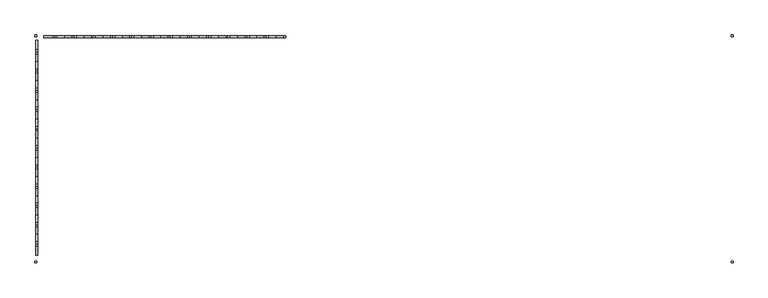
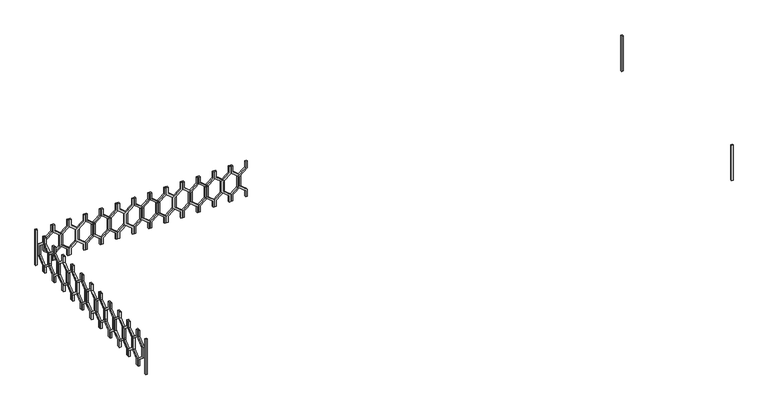
"""IFC4 building model written with IfcOpenShell, lengths in millimetres: railing geometry."""

import ifcopenshell
import ifcopenshell.guid

model = None  # the IFC model being written
_history = None  # IfcOwnerHistory: only IFC2X3 demands one
_inside = {}  # id of a spatial element -> (the spatial element, [elements in it])
_under = {}  # id of a project, library or spatial element -> (it, [spatial elements below it])
_declared = {}  # id of a project -> (the project, [libraries it declares])
_typed = {}  # id of a type object -> (the type object, [elements of that type])
_made_of = {}  # id of a material, layer set ... -> (it, [elements and type objects made of it])


def new_model(schema):
    """Start an empty IFC model of exactly this schema.

    Asked for "IFC4X3", IfcOpenShell would pick the latest addendum, in which some entities
    have other attributes; the version numbers below select the first issue.
    IFC2X3 requires an IfcOwnerHistory on every rooted entity: one is made here for all.
    """
    global model, _history
    if schema == "IFC4X3":
        model = ifcopenshell.file(schema_version=(4, 3, 0, 0))
    else:
        model = ifcopenshell.file(schema=schema)
    _inside.clear()
    _under.clear()
    _declared.clear()
    _typed.clear()
    _made_of.clear()
    _history = None
    if model.schema == "IFC2X3":
        org = make("IfcOrganization", Name="unknown")
        user = make(
            "IfcPersonAndOrganization",
            ThePerson=make("IfcPerson", FamilyName="unknown"),
            TheOrganization=org,
        )
        app = make(
            "IfcApplication",
            ApplicationDeveloper=org,
            Version="unknown",
            ApplicationFullName="unknown",
            ApplicationIdentifier="unknown",
        )
        _history = make(
            "IfcOwnerHistory",
            OwningUser=user,
            OwningApplication=app,
            ChangeAction="ADDED",
            CreationDate=0,
        )
    return model


def make(cls, **values):
    """One entity of the class cls with the attributes given. An attribute that is None is left unset."""
    return model.create_entity(
        cls, **{name: value for name, value in values.items() if value is not None}
    )


def rooted(cls, **values):
    """An entity with a GlobalId (a new one), such as an element, a storey or a relation."""
    return make(cls, GlobalId=ifcopenshell.guid.new(), OwnerHistory=_history, **values)


def si_unit(unit_type, name, prefix=None):
    """IfcSIUnit, for example si_unit("LENGTHUNIT", "METRE", prefix="MILLI")."""
    return make("IfcSIUnit", UnitType=unit_type, Prefix=prefix, Name=name)


def assignment(units):
    """IfcUnitAssignment: the units of a project."""
    return None if units is None else make("IfcUnitAssignment", Units=units)


def point(xyz):
    """IfcCartesianPoint."""
    return None if xyz is None else make("IfcCartesianPoint", Coordinates=xyz)


def direction(xyz):
    """IfcDirection."""
    return None if xyz is None else make("IfcDirection", DirectionRatios=xyz)


def frame(location, z_axis=None, x_axis=None):
    """IfcAxis2Placement3D, a coordinate frame: its origin and axes. An axis left out is left unset."""
    return make(
        "IfcAxis2Placement3D",
        Location=point(location),
        Axis=direction(z_axis),
        RefDirection=direction(x_axis),
    )


def origin():
    """The frame at (0, 0, 0) with its axes left unset."""
    return frame((0.0, 0.0, 0.0))


def place(relative_to, where):
    """IfcLocalPlacement: puts the frame where relative to a parent placement (None: the world)."""
    return make(
        "IfcLocalPlacement", PlacementRelTo=relative_to, RelativePlacement=where
    )


def context(
    kind, dimensions, precision=None, world=None, true_north=None, identifier=None
):
    """IfcGeometricRepresentationContext, for example the 3D "Model" context."""
    return make(
        "IfcGeometricRepresentationContext",
        ContextIdentifier=identifier,
        ContextType=kind,
        CoordinateSpaceDimension=dimensions,
        Precision=precision,
        WorldCoordinateSystem=world,
        TrueNorth=true_north,
    )


def project(units=None, contexts=None):
    """IfcProject with its units and contexts."""
    return rooted(
        "IfcProject",
        Name="project",
        RepresentationContexts=contexts,
        UnitsInContext=assignment(units),
    )


def spatial(cls, under=None, at=None, **own):
    """A site, building, storey or space (cls), placed at a placement, below another one or the project."""
    s = rooted(cls, ObjectPlacement=at, **own)
    if under is not None:
        _under.setdefault(under.id(), (under, []))[1].append(s)
    return s


def polyline(points):
    """IfcPolyline through the points."""
    return make("IfcPolyline", Points=[point(p) for p in points])


def outline(outer, holes=None, kind="AREA"):
    """IfcArbitraryClosedProfileDef: a profile drawn as a closed curve; with holes, ...WithVoids."""
    if holes is None:
        return make("IfcArbitraryClosedProfileDef", ProfileType=kind, OuterCurve=outer)
    return make(
        "IfcArbitraryProfileDefWithVoids",
        ProfileType=kind,
        OuterCurve=outer,
        InnerCurves=holes,
    )


def extrude(swept, where, along, depth):
    """IfcExtrudedAreaSolid: the profile swept, set in the frame where, extruded along a direction by depth."""
    return make(
        "IfcExtrudedAreaSolid",
        SweptArea=swept,
        Position=where,
        ExtrudedDirection=direction(along),
        Depth=depth,
    )


def shape(context_of_items, identifier, shape_type, items):
    """IfcShapeRepresentation: the items that make up one representation, for example the "Body"."""
    return make(
        "IfcShapeRepresentation",
        ContextOfItems=context_of_items,
        RepresentationIdentifier=identifier,
        RepresentationType=shape_type,
        Items=items,
    )


def source(mapping_origin, context_of_items, identifier, shape_type, items):
    """IfcRepresentationMap: a shape defined once, which mapped items show again and again."""
    return make(
        "IfcRepresentationMap",
        MappingOrigin=mapping_origin,
        MappedRepresentation=shape(context_of_items, identifier, shape_type, items),
    )


def transform(
    local_origin,
    x_axis=None,
    y_axis=None,
    z_axis=None,
    scale=None,
    scale2=None,
    scale3=None,
    uniform=True,
):
    """IfcCartesianTransformationOperator3D, or its non-uniform kind. x_axis, y_axis, z_axis: its Axis1, 2, 3."""
    if uniform:
        return make(
            "IfcCartesianTransformationOperator3D",
            Axis1=direction(x_axis),
            Axis2=direction(y_axis),
            LocalOrigin=point(local_origin),
            Scale=scale,
            Axis3=direction(z_axis),
        )
    return make(
        "IfcCartesianTransformationOperator3DnonUniform",
        Axis1=direction(x_axis),
        Axis2=direction(y_axis),
        LocalOrigin=point(local_origin),
        Scale=scale,
        Axis3=direction(z_axis),
        Scale2=scale2,
        Scale3=scale3,
    )


def mapped(mapping_source, mapping_target):
    """IfcMappedItem: shows the shape of a source again, moved by a transform."""
    return make(
        "IfcMappedItem", MappingSource=mapping_source, MappingTarget=mapping_target
    )


def made_of(thing, what):
    """Note that an element or type object is made of a material, layer set ...; save() writes the relation."""
    if what is not None:
        _made_of.setdefault(what.id(), (what, []))[1].append(thing)
    return thing


def element(
    cls,
    number,
    at=None,
    inside=None,
    cuts=None,
    type_object=None,
    material=None,
    context=None,
    identifier="Body",
    shape_type=None,
    held_by="IfcProductDefinitionShape",
    body=None,
    shapes=None,
    **own,
):
    """One element of the class cls, such as IfcWall. Its Tag is "e" and its number.

    at: its placement. inside: the storey or other place that contains it. cuts: it is an
    opening in that element (IfcRelVoidsElement). A single representation is given by context,
    identifier, shape_type and body (its items); several are given by shapes. held_by: the class
    of the entity that holds the representations. save() writes the other relations.
    """
    e = rooted(cls, Tag="e%d" % number, ObjectPlacement=at, **own)
    if body is not None:
        shapes = [shape(context, identifier, shape_type, body)]
    if shapes is not None:
        e.Representation = make(held_by, Representations=shapes)
    if inside is not None:
        _inside.setdefault(inside.id(), (inside, []))[1].append(e)
    if cuts is not None:
        rooted(
            "IfcRelVoidsElement", RelatingBuildingElement=cuts, RelatedOpeningElement=e
        )
    if type_object is not None:
        _typed.setdefault(type_object.id(), (type_object, []))[1].append(e)
    return made_of(e, material)


def aggregate(whole, parts):
    """IfcRelAggregates: a whole, such as a stair, and the parts it consists of."""
    return rooted("IfcRelAggregates", RelatingObject=whole, RelatedObjects=parts)


def save(model, path):
    """Write the relations noted so far, then the file.

    IfcRelAggregates (storeys below a building ...), IfcRelContainedInSpatialStructure (elements
    in a storey), IfcRelDefinesByType, IfcRelAssociatesMaterial and IfcRelDeclares: one each for
    every whole, place, type object, material and project.
    """
    for whole, parts in _under.values():
        aggregate(whole, parts)
    for where, things in _inside.values():
        rooted(
            "IfcRelContainedInSpatialStructure",
            RelatedElements=things,
            RelatingStructure=where,
        )
    for kind, things in _typed.values():
        rooted("IfcRelDefinesByType", RelatedObjects=things, RelatingType=kind)
    for what, things in _made_of.values():
        rooted("IfcRelAssociatesMaterial", RelatedObjects=things, RelatingMaterial=what)
    for by, libraries in _declared.values():
        rooted("IfcRelDeclares", RelatingContext=by, RelatedDefinitions=libraries)
    model.write(path)


def railing_1574c592(model_context):
    return source(origin(), model_context, "Body", "SweptSolid", [
        extrude(outline(polyline([(22060.0, 44935.0112841), (22060.0, 44915.0112841), (21980.0, 44915.0112841), (21900.0, 44816.0163347), (21760.0, 44816.0163347), (21680.0, 44915.0112841), (21600.0, 44915.0112841), (21600.0, 44935.0112841), (21689.551845, 44935.0112841), (21769.551845, 44836.0163347), (21890.448155, 44836.0163347), (21970.448155, 44935.0112841), (22060.0, 44935.0112841)])), frame((0.0, 3248.1079487, 0.0), z_axis=(0.0, 1.0, 0.0), x_axis=(0.0, 0.0, 1.0)), (0.0, 0.0, 1.0), 20.0),
        extrude(outline(polyline([(22060.0, 44735.0112841), (21970.448155, 44735.0112841), (21890.448155, 44834.0062335), (21769.551845, 44834.0062335), (21689.551845, 44735.0112841), (21600.0, 44735.0112841), (21600.0, 44755.0112841), (21680.0, 44755.0112841), (21760.0, 44854.0062335), (21900.0, 44854.0062335), (21980.0, 44755.0112841), (22060.0, 44755.0112841), (22060.0, 44735.0112841)])), frame((0.0, 3248.1079487, 0.0), z_axis=(0.0, 1.0, 0.0), x_axis=(0.0, 0.0, 1.0)), (0.0, 0.0, 1.0), 20.0),
        extrude(outline(polyline([(22060.0, 44735.0112841), (22060.0, 44715.0112841), (21980.0, 44715.0112841), (21900.0, 44616.0163347), (21760.0, 44616.0163347), (21680.0, 44715.0112841), (21600.0, 44715.0112841), (21600.0, 44735.0112841), (21689.551845, 44735.0112841), (21769.551845, 44636.0163347), (21890.448155, 44636.0163347), (21970.448155, 44735.0112841), (22060.0, 44735.0112841)])), frame((0.0, 3248.1079487, 0.0), z_axis=(0.0, 1.0, 0.0), x_axis=(0.0, 0.0, 1.0)), (0.0, 0.0, 1.0), 20.0),
        extrude(outline(polyline([(22060.0, 44535.0112841), (21970.448155, 44535.0112841), (21890.448155, 44634.0062335), (21769.551845, 44634.0062335), (21689.551845, 44535.0112841), (21600.0, 44535.0112841), (21600.0, 44555.0112841), (21680.0, 44555.0112841), (21760.0, 44654.0062335), (21900.0, 44654.0062335), (21980.0, 44555.0112841), (22060.0, 44555.0112841), (22060.0, 44535.0112841)])), frame((0.0, 3248.1079487, 0.0), z_axis=(0.0, 1.0, 0.0), x_axis=(0.0, 0.0, 1.0)), (0.0, 0.0, 1.0), 20.0),
        extrude(outline(polyline([(22060.0, 44535.0112841), (22060.0, 44515.0112841), (21980.0, 44515.0112841), (21900.0, 44416.0163347), (21760.0, 44416.0163347), (21680.0, 44515.0112841), (21600.0, 44515.0112841), (21600.0, 44535.0112841), (21689.551845, 44535.0112841), (21769.551845, 44436.0163347), (21890.448155, 44436.0163347), (21970.448155, 44535.0112841), (22060.0, 44535.0112841)])), frame((0.0, 3248.1079487, 0.0), z_axis=(0.0, 1.0, 0.0), x_axis=(0.0, 0.0, 1.0)), (0.0, 0.0, 1.0), 20.0),
        extrude(outline(polyline([(22060.0, 44335.0112841), (21970.448155, 44335.0112841), (21890.448155, 44434.0062335), (21769.551845, 44434.0062335), (21689.551845, 44335.0112841), (21600.0, 44335.0112841), (21600.0, 44355.0112841), (21680.0, 44355.0112841), (21760.0, 44454.0062335), (21900.0, 44454.0062335), (21980.0, 44355.0112841), (22060.0, 44355.0112841), (22060.0, 44335.0112841)])), frame((0.0, 3248.1079487, 0.0), z_axis=(0.0, 1.0, 0.0), x_axis=(0.0, 0.0, 1.0)), (0.0, 0.0, 1.0), 20.0),
        extrude(outline(polyline([(22060.0, 44335.0112841), (22060.0, 44315.0112841), (21980.0, 44315.0112841), (21900.0, 44216.0163347), (21760.0, 44216.0163347), (21680.0, 44315.0112841), (21600.0, 44315.0112841), (21600.0, 44335.0112841), (21689.551845, 44335.0112841), (21769.551845, 44236.0163347), (21890.448155, 44236.0163347), (21970.448155, 44335.0112841), (22060.0, 44335.0112841)])), frame((0.0, 3248.1079487, 0.0), z_axis=(0.0, 1.0, 0.0), x_axis=(0.0, 0.0, 1.0)), (0.0, 0.0, 1.0), 20.0),
        extrude(outline(polyline([(22060.0, 44135.0112841), (21970.448155, 44135.0112841), (21890.448155, 44234.0062335), (21769.551845, 44234.0062335), (21689.551845, 44135.0112841), (21600.0, 44135.0112841), (21600.0, 44155.0112841), (21680.0, 44155.0112841), (21760.0, 44254.0062335), (21900.0, 44254.0062335), (21980.0, 44155.0112841), (22060.0, 44155.0112841), (22060.0, 44135.0112841)])), frame((0.0, 3248.1079487, 0.0), z_axis=(0.0, 1.0, 0.0), x_axis=(0.0, 0.0, 1.0)), (0.0, 0.0, 1.0), 20.0),
        extrude(outline(polyline([(22060.0, 44135.0112841), (22060.0, 44115.0112841), (21980.0, 44115.0112841), (21900.0, 44016.0163347), (21760.0, 44016.0163347), (21680.0, 44115.0112841), (21600.0, 44115.0112841), (21600.0, 44135.0112841), (21689.551845, 44135.0112841), (21769.551845, 44036.0163347), (21890.448155, 44036.0163347), (21970.448155, 44135.0112841), (22060.0, 44135.0112841)])), frame((0.0, 3248.1079487, 0.0), z_axis=(0.0, 1.0, 0.0), x_axis=(0.0, 0.0, 1.0)), (0.0, 0.0, 1.0), 20.0),
        extrude(outline(polyline([(22060.0, 43935.0112841), (21970.448155, 43935.0112841), (21890.448155, 44034.0062335), (21769.551845, 44034.0062335), (21689.551845, 43935.0112841), (21600.0, 43935.0112841), (21600.0, 43955.0112841), (21680.0, 43955.0112841), (21760.0, 44054.0062335), (21900.0, 44054.0062335), (21980.0, 43955.0112841), (22060.0, 43955.0112841), (22060.0, 43935.0112841)])), frame((0.0, 3248.1079487, 0.0), z_axis=(0.0, 1.0, 0.0), x_axis=(0.0, 0.0, 1.0)), (0.0, 0.0, 1.0), 20.0),
        extrude(outline(polyline([(22060.0, 43935.0112841), (22060.0, 43915.0112841), (21980.0, 43915.0112841), (21900.0, 43816.0163347), (21760.0, 43816.0163347), (21680.0, 43915.0112841), (21600.0, 43915.0112841), (21600.0, 43935.0112841), (21689.551845, 43935.0112841), (21769.551845, 43836.0163347), (21890.448155, 43836.0163347), (21970.448155, 43935.0112841), (22060.0, 43935.0112841)])), frame((0.0, 3248.1079487, 0.0), z_axis=(0.0, 1.0, 0.0), x_axis=(0.0, 0.0, 1.0)), (0.0, 0.0, 1.0), 20.0),
        extrude(outline(polyline([(22060.0, 43735.0112841), (21970.448155, 43735.0112841), (21890.448155, 43834.0062335), (21769.551845, 43834.0062335), (21689.551845, 43735.0112841), (21600.0, 43735.0112841), (21600.0, 43755.0112841), (21680.0, 43755.0112841), (21760.0, 43854.0062335), (21900.0, 43854.0062335), (21980.0, 43755.0112841), (22060.0, 43755.0112841), (22060.0, 43735.0112841)])), frame((0.0, 3248.1079487, 0.0), z_axis=(0.0, 1.0, 0.0), x_axis=(0.0, 0.0, 1.0)), (0.0, 0.0, 1.0), 20.0),
        extrude(outline(polyline([(22060.0, 43735.0112841), (22060.0, 43715.0112841), (21980.0, 43715.0112841), (21900.0, 43616.0163347), (21760.0, 43616.0163347), (21680.0, 43715.0112841), (21600.0, 43715.0112841), (21600.0, 43735.0112841), (21689.551845, 43735.0112841), (21769.551845, 43636.0163347), (21890.448155, 43636.0163347), (21970.448155, 43735.0112841), (22060.0, 43735.0112841)])), frame((0.0, 3248.1079487, 0.0), z_axis=(0.0, 1.0, 0.0), x_axis=(0.0, 0.0, 1.0)), (0.0, 0.0, 1.0), 20.0),
        extrude(outline(polyline([(22060.0, 43535.0112841), (21970.448155, 43535.0112841), (21890.448155, 43634.0062335), (21769.551845, 43634.0062335), (21689.551845, 43535.0112841), (21600.0, 43535.0112841), (21600.0, 43555.0112841), (21680.0, 43555.0112841), (21760.0, 43654.0062335), (21900.0, 43654.0062335), (21980.0, 43555.0112841), (22060.0, 43555.0112841), (22060.0, 43535.0112841)])), frame((0.0, 3248.1079487, 0.0), z_axis=(0.0, 1.0, 0.0), x_axis=(0.0, 0.0, 1.0)), (0.0, 0.0, 1.0), 20.0),
        extrude(outline(polyline([(22060.0, 43535.0112841), (22060.0, 43515.0112841), (21980.0, 43515.0112841), (21900.0, 43416.0163347), (21760.0, 43416.0163347), (21680.0, 43515.0112841), (21600.0, 43515.0112841), (21600.0, 43535.0112841), (21689.551845, 43535.0112841), (21769.551845, 43436.0163347), (21890.448155, 43436.0163347), (21970.448155, 43535.0112841), (22060.0, 43535.0112841)])), frame((0.0, 3248.1079487, 0.0), z_axis=(0.0, 1.0, 0.0), x_axis=(0.0, 0.0, 1.0)), (0.0, 0.0, 1.0), 20.0),
        extrude(outline(polyline([(22060.0, 43335.0112841), (21970.448155, 43335.0112841), (21890.448155, 43434.0062335), (21769.551845, 43434.0062335), (21689.551845, 43335.0112841), (21600.0, 43335.0112841), (21600.0, 43355.0112841), (21680.0, 43355.0112841), (21760.0, 43454.0062335), (21900.0, 43454.0062335), (21980.0, 43355.0112841), (22060.0, 43355.0112841), (22060.0, 43335.0112841)])), frame((0.0, 3248.1079487, 0.0), z_axis=(0.0, 1.0, 0.0), x_axis=(0.0, 0.0, 1.0)), (0.0, 0.0, 1.0), 20.0),
        extrude(outline(polyline([(22060.0, 43335.0112841), (22060.0, 43315.0112841), (21980.0, 43315.0112841), (21900.0, 43216.0163347), (21760.0, 43216.0163347), (21680.0, 43315.0112841), (21600.0, 43315.0112841), (21600.0, 43335.0112841), (21689.551845, 43335.0112841), (21769.551845, 43236.0163347), (21890.448155, 43236.0163347), (21970.448155, 43335.0112841), (22060.0, 43335.0112841)])), frame((0.0, 3248.1079487, 0.0), z_axis=(0.0, 1.0, 0.0), x_axis=(0.0, 0.0, 1.0)), (0.0, 0.0, 1.0), 20.0),
        extrude(outline(polyline([(22060.0, 43135.0112841), (21970.448155, 43135.0112841), (21890.448155, 43234.0062335), (21769.551845, 43234.0062335), (21689.551845, 43135.0112841), (21600.0, 43135.0112841), (21600.0, 43155.0112841), (21680.0, 43155.0112841), (21760.0, 43254.0062335), (21900.0, 43254.0062335), (21980.0, 43155.0112841), (22060.0, 43155.0112841), (22060.0, 43135.0112841)])), frame((0.0, 3248.1079487, 0.0), z_axis=(0.0, 1.0, 0.0), x_axis=(0.0, 0.0, 1.0)), (0.0, 0.0, 1.0), 20.0),
        extrude(outline(polyline([(22060.0, 43135.0112841), (22060.0, 43115.0112841), (21980.0, 43115.0112841), (21900.0, 43016.0163347), (21760.0, 43016.0163347), (21680.0, 43115.0112841), (21600.0, 43115.0112841), (21600.0, 43135.0112841), (21689.551845, 43135.0112841), (21769.551845, 43036.0163347), (21890.448155, 43036.0163347), (21970.448155, 43135.0112841), (22060.0, 43135.0112841)])), frame((0.0, 3248.1079487, 0.0), z_axis=(0.0, 1.0, 0.0), x_axis=(0.0, 0.0, 1.0)), (0.0, 0.0, 1.0), 20.0),
        extrude(outline(polyline([(22060.0, 42935.0112841), (21970.448155, 42935.0112841), (21890.448155, 43034.0062335), (21769.551845, 43034.0062335), (21689.551845, 42935.0112841), (21600.0, 42935.0112841), (21600.0, 42955.0112841), (21680.0, 42955.0112841), (21760.0, 43054.0062335), (21900.0, 43054.0062335), (21980.0, 42955.0112841), (22060.0, 42955.0112841), (22060.0, 42935.0112841)])), frame((0.0, 3248.1079487, 0.0), z_axis=(0.0, 1.0, 0.0), x_axis=(0.0, 0.0, 1.0)), (0.0, 0.0, 1.0), 20.0),
        extrude(outline(polyline([(22060.0, 42935.0112841), (22060.0, 42915.0112841), (21980.0, 42915.0112841), (21900.0, 42816.0163347), (21760.0, 42816.0163347), (21680.0, 42915.0112841), (21600.0, 42915.0112841), (21600.0, 42935.0112841), (21689.551845, 42935.0112841), (21769.551845, 42836.0163347), (21890.448155, 42836.0163347), (21970.448155, 42935.0112841), (22060.0, 42935.0112841)])), frame((0.0, 3248.1079487, 0.0), z_axis=(0.0, 1.0, 0.0), x_axis=(0.0, 0.0, 1.0)), (0.0, 0.0, 1.0), 20.0),
        extrude(outline(polyline([(22060.0, 42735.0112841), (21970.448155, 42735.0112841), (21890.448155, 42834.0062335), (21769.551845, 42834.0062335), (21689.551845, 42735.0112841), (21600.0, 42735.0112841), (21600.0, 42755.0112841), (21680.0, 42755.0112841), (21760.0, 42854.0062335), (21900.0, 42854.0062335), (21980.0, 42755.0112841), (22060.0, 42755.0112841), (22060.0, 42735.0112841)])), frame((0.0, 3248.1079487, 0.0), z_axis=(0.0, 1.0, 0.0), x_axis=(0.0, 0.0, 1.0)), (0.0, 0.0, 1.0), 20.0),
        extrude(outline(polyline([(22060.0, 42735.0112841), (22060.0, 42715.0112841), (21980.0, 42715.0112841), (21900.0, 42616.0163347), (21760.0, 42616.0163347), (21680.0, 42715.0112841), (21600.0, 42715.0112841), (21600.0, 42735.0112841), (21689.551845, 42735.0112841), (21769.551845, 42636.0163347), (21890.448155, 42636.0163347), (21970.448155, 42735.0112841), (22060.0, 42735.0112841)])), frame((0.0, 3248.1079487, 0.0), z_axis=(0.0, 1.0, 0.0), x_axis=(0.0, 0.0, 1.0)), (0.0, 0.0, 1.0), 20.0),
        extrude(outline(polyline([(22060.0, 42535.0112841), (21970.448155, 42535.0112841), (21890.448155, 42634.0062335), (21769.551845, 42634.0062335), (21689.551845, 42535.0112841), (21600.0, 42535.0112841), (21600.0, 42555.0112841), (21680.0, 42555.0112841), (21760.0, 42654.0062335), (21900.0, 42654.0062335), (21980.0, 42555.0112841), (22060.0, 42555.0112841), (22060.0, 42535.0112841)])), frame((0.0, 3248.1079487, 0.0), z_axis=(0.0, 1.0, 0.0), x_axis=(0.0, 0.0, 1.0)), (0.0, 0.0, 1.0), 20.0),
        extrude(outline(polyline([(22060.0, 42535.0112841), (22060.0, 42515.0112841), (21980.0, 42515.0112841), (21900.0, 42416.0163347), (21760.0, 42416.0163347), (21680.0, 42515.0112841), (21600.0, 42515.0112841), (21600.0, 42535.0112841), (21689.551845, 42535.0112841), (21769.551845, 42436.0163347), (21890.448155, 42436.0163347), (21970.448155, 42535.0112841), (22060.0, 42535.0112841)])), frame((0.0, 3248.1079487, 0.0), z_axis=(0.0, 1.0, 0.0), x_axis=(0.0, 0.0, 1.0)), (0.0, 0.0, 1.0), 20.0),
        extrude(outline(polyline([(3103.1079487, 22060.0), (3123.1079487, 22060.0), (3123.1079487, 21980.0), (3222.102898, 21900.0), (3222.102898, 21760.0), (3123.1079487, 21680.0), (3123.1079487, 21600.0), (3103.1079487, 21600.0), (3103.1079487, 21689.551845), (3202.102898, 21769.551845), (3202.102898, 21890.448155), (3103.1079487, 21970.448155), (3103.1079487, 22060.0)])), frame((42335.0112841, 0.0, 0.0), z_axis=(1.0, 0.0, 0.0), x_axis=(0.0, 1.0, 0.0)), (0.0, 0.0, 1.0), 20.0),
        extrude(outline(polyline([(3103.1079487, 22060.0), (3103.1079487, 21970.448155), (3004.1129993, 21890.448155), (3004.1129993, 21769.551845), (3103.1079487, 21689.551845), (3103.1079487, 21600.0), (3083.1079487, 21600.0), (3083.1079487, 21680.0), (2984.1129993, 21760.0), (2984.1129993, 21900.0), (3083.1079487, 21980.0), (3083.1079487, 22060.0), (3103.1079487, 22060.0)])), frame((42335.0112841, 0.0, 0.0), z_axis=(1.0, 0.0, 0.0), x_axis=(0.0, 1.0, 0.0)), (0.0, 0.0, 1.0), 20.0),
        extrude(outline(polyline([(2903.1079487, 22060.0), (2923.1079487, 22060.0), (2923.1079487, 21980.0), (3022.102898, 21900.0), (3022.102898, 21760.0), (2923.1079487, 21680.0), (2923.1079487, 21600.0), (2903.1079487, 21600.0), (2903.1079487, 21689.551845), (3002.102898, 21769.551845), (3002.102898, 21890.448155), (2903.1079487, 21970.448155), (2903.1079487, 22060.0)])), frame((42335.0112841, 0.0, 0.0), z_axis=(1.0, 0.0, 0.0), x_axis=(0.0, 1.0, 0.0)), (0.0, 0.0, 1.0), 20.0),
        extrude(outline(polyline([(2903.1079487, 22060.0), (2903.1079487, 21970.448155), (2804.1129993, 21890.448155), (2804.1129993, 21769.551845), (2903.1079487, 21689.551845), (2903.1079487, 21600.0), (2883.1079487, 21600.0), (2883.1079487, 21680.0), (2784.1129993, 21760.0), (2784.1129993, 21900.0), (2883.1079487, 21980.0), (2883.1079487, 22060.0), (2903.1079487, 22060.0)])), frame((42335.0112841, 0.0, 0.0), z_axis=(1.0, 0.0, 0.0), x_axis=(0.0, 1.0, 0.0)), (0.0, 0.0, 1.0), 20.0),
        extrude(outline(polyline([(2703.1079487, 22060.0), (2723.1079487, 22060.0), (2723.1079487, 21980.0), (2822.102898, 21900.0), (2822.102898, 21760.0), (2723.1079487, 21680.0), (2723.1079487, 21600.0), (2703.1079487, 21600.0), (2703.1079487, 21689.551845), (2802.102898, 21769.551845), (2802.102898, 21890.448155), (2703.1079487, 21970.448155), (2703.1079487, 22060.0)])), frame((42335.0112841, 0.0, 0.0), z_axis=(1.0, 0.0, 0.0), x_axis=(0.0, 1.0, 0.0)), (0.0, 0.0, 1.0), 20.0),
        extrude(outline(polyline([(2703.1079487, 22060.0), (2703.1079487, 21970.448155), (2604.1129993, 21890.448155), (2604.1129993, 21769.551845), (2703.1079487, 21689.551845), (2703.1079487, 21600.0), (2683.1079487, 21600.0), (2683.1079487, 21680.0), (2584.1129993, 21760.0), (2584.1129993, 21900.0), (2683.1079487, 21980.0), (2683.1079487, 22060.0), (2703.1079487, 22060.0)])), frame((42335.0112841, 0.0, 0.0), z_axis=(1.0, 0.0, 0.0), x_axis=(0.0, 1.0, 0.0)), (0.0, 0.0, 1.0), 20.0),
        extrude(outline(polyline([(2503.1079487, 22060.0), (2523.1079487, 22060.0), (2523.1079487, 21980.0), (2622.102898, 21900.0), (2622.102898, 21760.0), (2523.1079487, 21680.0), (2523.1079487, 21600.0), (2503.1079487, 21600.0), (2503.1079487, 21689.551845), (2602.102898, 21769.551845), (2602.102898, 21890.448155), (2503.1079487, 21970.448155), (2503.1079487, 22060.0)])), frame((42335.0112841, 0.0, 0.0), z_axis=(1.0, 0.0, 0.0), x_axis=(0.0, 1.0, 0.0)), (0.0, 0.0, 1.0), 20.0),
        extrude(outline(polyline([(2503.1079487, 22060.0), (2503.1079487, 21970.448155), (2404.1129993, 21890.448155), (2404.1129993, 21769.551845), (2503.1079487, 21689.551845), (2503.1079487, 21600.0), (2483.1079487, 21600.0), (2483.1079487, 21680.0), (2384.1129993, 21760.0), (2384.1129993, 21900.0), (2483.1079487, 21980.0), (2483.1079487, 22060.0), (2503.1079487, 22060.0)])), frame((42335.0112841, 0.0, 0.0), z_axis=(1.0, 0.0, 0.0), x_axis=(0.0, 1.0, 0.0)), (0.0, 0.0, 1.0), 20.0),
        extrude(outline(polyline([(2303.1079487, 22060.0), (2323.1079487, 22060.0), (2323.1079487, 21980.0), (2422.102898, 21900.0), (2422.102898, 21760.0), (2323.1079487, 21680.0), (2323.1079487, 21600.0), (2303.1079487, 21600.0), (2303.1079487, 21689.551845), (2402.102898, 21769.551845), (2402.102898, 21890.448155), (2303.1079487, 21970.448155), (2303.1079487, 22060.0)])), frame((42335.0112841, 0.0, 0.0), z_axis=(1.0, 0.0, 0.0), x_axis=(0.0, 1.0, 0.0)), (0.0, 0.0, 1.0), 20.0),
        extrude(outline(polyline([(2303.1079487, 22060.0), (2303.1079487, 21970.448155), (2204.1129993, 21890.448155), (2204.1129993, 21769.551845), (2303.1079487, 21689.551845), (2303.1079487, 21600.0), (2283.1079487, 21600.0), (2283.1079487, 21680.0), (2184.1129993, 21760.0), (2184.1129993, 21900.0), (2283.1079487, 21980.0), (2283.1079487, 22060.0), (2303.1079487, 22060.0)])), frame((42335.0112841, 0.0, 0.0), z_axis=(1.0, 0.0, 0.0), x_axis=(0.0, 1.0, 0.0)), (0.0, 0.0, 1.0), 20.0),
        extrude(outline(polyline([(2103.1079487, 22060.0), (2123.1079487, 22060.0), (2123.1079487, 21980.0), (2222.102898, 21900.0), (2222.102898, 21760.0), (2123.1079487, 21680.0), (2123.1079487, 21600.0), (2103.1079487, 21600.0), (2103.1079487, 21689.551845), (2202.102898, 21769.551845), (2202.102898, 21890.448155), (2103.1079487, 21970.448155), (2103.1079487, 22060.0)])), frame((42335.0112841, 0.0, 0.0), z_axis=(1.0, 0.0, 0.0), x_axis=(0.0, 1.0, 0.0)), (0.0, 0.0, 1.0), 20.0),
        extrude(outline(polyline([(2103.1079487, 22060.0), (2103.1079487, 21970.448155), (2004.1129993, 21890.448155), (2004.1129993, 21769.551845), (2103.1079487, 21689.551845), (2103.1079487, 21600.0), (2083.1079487, 21600.0), (2083.1079487, 21680.0), (1984.1129993, 21760.0), (1984.1129993, 21900.0), (2083.1079487, 21980.0), (2083.1079487, 22060.0), (2103.1079487, 22060.0)])), frame((42335.0112841, 0.0, 0.0), z_axis=(1.0, 0.0, 0.0), x_axis=(0.0, 1.0, 0.0)), (0.0, 0.0, 1.0), 20.0),
        extrude(outline(polyline([(1903.1079487, 22060.0), (1923.1079487, 22060.0), (1923.1079487, 21980.0), (2022.102898, 21900.0), (2022.102898, 21760.0), (1923.1079487, 21680.0), (1923.1079487, 21600.0), (1903.1079487, 21600.0), (1903.1079487, 21689.551845), (2002.102898, 21769.551845), (2002.102898, 21890.448155), (1903.1079487, 21970.448155), (1903.1079487, 22060.0)])), frame((42335.0112841, 0.0, 0.0), z_axis=(1.0, 0.0, 0.0), x_axis=(0.0, 1.0, 0.0)), (0.0, 0.0, 1.0), 20.0),
        extrude(outline(polyline([(1903.1079487, 22060.0), (1903.1079487, 21970.448155), (1804.1129993, 21890.448155), (1804.1129993, 21769.551845), (1903.1079487, 21689.551845), (1903.1079487, 21600.0), (1883.1079487, 21600.0), (1883.1079487, 21680.0), (1784.1129993, 21760.0), (1784.1129993, 21900.0), (1883.1079487, 21980.0), (1883.1079487, 22060.0), (1903.1079487, 22060.0)])), frame((42335.0112841, 0.0, 0.0), z_axis=(1.0, 0.0, 0.0), x_axis=(0.0, 1.0, 0.0)), (0.0, 0.0, 1.0), 20.0),
        extrude(outline(polyline([(1703.1079487, 22060.0), (1723.1079487, 22060.0), (1723.1079487, 21980.0), (1822.102898, 21900.0), (1822.102898, 21760.0), (1723.1079487, 21680.0), (1723.1079487, 21600.0), (1703.1079487, 21600.0), (1703.1079487, 21689.551845), (1802.102898, 21769.551845), (1802.102898, 21890.448155), (1703.1079487, 21970.448155), (1703.1079487, 22060.0)])), frame((42335.0112841, 0.0, 0.0), z_axis=(1.0, 0.0, 0.0), x_axis=(0.0, 1.0, 0.0)), (0.0, 0.0, 1.0), 20.0),
        extrude(outline(polyline([(1703.1079487, 22060.0), (1703.1079487, 21970.448155), (1604.1129993, 21890.448155), (1604.1129993, 21769.551845), (1703.1079487, 21689.551845), (1703.1079487, 21600.0), (1683.1079487, 21600.0), (1683.1079487, 21680.0), (1584.1129993, 21760.0), (1584.1129993, 21900.0), (1683.1079487, 21980.0), (1683.1079487, 22060.0), (1703.1079487, 22060.0)])), frame((42335.0112841, 0.0, 0.0), z_axis=(1.0, 0.0, 0.0), x_axis=(0.0, 1.0, 0.0)), (0.0, 0.0, 1.0), 20.0),
        extrude(outline(polyline([(1503.1079487, 22060.0), (1523.1079487, 22060.0), (1523.1079487, 21980.0), (1622.102898, 21900.0), (1622.102898, 21760.0), (1523.1079487, 21680.0), (1523.1079487, 21600.0), (1503.1079487, 21600.0), (1503.1079487, 21689.551845), (1602.102898, 21769.551845), (1602.102898, 21890.448155), (1503.1079487, 21970.448155), (1503.1079487, 22060.0)])), frame((42335.0112841, 0.0, 0.0), z_axis=(1.0, 0.0, 0.0), x_axis=(0.0, 1.0, 0.0)), (0.0, 0.0, 1.0), 20.0),
        extrude(outline(polyline([(1503.1079487, 22060.0), (1503.1079487, 21970.448155), (1404.1129993, 21890.448155), (1404.1129993, 21769.551845), (1503.1079487, 21689.551845), (1503.1079487, 21600.0), (1483.1079487, 21600.0), (1483.1079487, 21680.0), (1384.1129993, 21760.0), (1384.1129993, 21900.0), (1483.1079487, 21980.0), (1483.1079487, 22060.0), (1503.1079487, 22060.0)])), frame((42335.0112841, 0.0, 0.0), z_axis=(1.0, 0.0, 0.0), x_axis=(0.0, 1.0, 0.0)), (0.0, 0.0, 1.0), 20.0),
        extrude(outline(polyline([(1303.1079487, 22060.0), (1323.1079487, 22060.0), (1323.1079487, 21980.0), (1422.102898, 21900.0), (1422.102898, 21760.0), (1323.1079487, 21680.0), (1323.1079487, 21600.0), (1303.1079487, 21600.0), (1303.1079487, 21689.551845), (1402.102898, 21769.551845), (1402.102898, 21890.448155), (1303.1079487, 21970.448155), (1303.1079487, 22060.0)])), frame((42335.0112841, 0.0, 0.0), z_axis=(1.0, 0.0, 0.0), x_axis=(0.0, 1.0, 0.0)), (0.0, 0.0, 1.0), 20.0),
        extrude(outline(polyline([(1303.1079487, 22060.0), (1303.1079487, 21970.448155), (1204.1129993, 21890.448155), (1204.1129993, 21769.551845), (1303.1079487, 21689.551845), (1303.1079487, 21600.0), (1283.1079487, 21600.0), (1283.1079487, 21680.0), (1184.1129993, 21760.0), (1184.1129993, 21900.0), (1283.1079487, 21980.0), (1283.1079487, 22060.0), (1303.1079487, 22060.0)])), frame((42335.0112841, 0.0, 0.0), z_axis=(1.0, 0.0, 0.0), x_axis=(0.0, 1.0, 0.0)), (0.0, 0.0, 1.0), 20.0),
        extrude(outline(polyline([(1103.1079487, 22060.0), (1123.1079487, 22060.0), (1123.1079487, 21980.0), (1222.102898, 21900.0), (1222.102898, 21760.0), (1123.1079487, 21680.0), (1123.1079487, 21600.0), (1103.1079487, 21600.0), (1103.1079487, 21689.551845), (1202.102898, 21769.551845), (1202.102898, 21890.448155), (1103.1079487, 21970.448155), (1103.1079487, 22060.0)])), frame((42335.0112841, 0.0, 0.0), z_axis=(1.0, 0.0, 0.0), x_axis=(0.0, 1.0, 0.0)), (0.0, 0.0, 1.0), 20.0),
        extrude(outline(polyline([(1103.1079487, 22060.0), (1103.1079487, 21970.448155), (1004.1129993, 21890.448155), (1004.1129993, 21769.551845), (1103.1079487, 21689.551845), (1103.1079487, 21600.0), (1083.1079487, 21600.0), (1083.1079487, 21680.0), (984.1129993, 21760.0), (984.1129993, 21900.0), (1083.1079487, 21980.0), (1083.1079487, 22060.0), (1103.1079487, 22060.0)])), frame((42335.0112841, 0.0, 0.0), z_axis=(1.0, 0.0, 0.0), x_axis=(0.0, 1.0, 0.0)), (0.0, 0.0, 1.0), 20.0),
        extrude(outline(polyline([(49575.0112841, 3278.1079487), (49595.0112841, 3278.1079487), (49595.0112841, 3258.1079487), (49575.0112841, 3258.1079487), (49575.0112841, 3278.1079487)])), frame((0.0, 0.0, 21600.0), z_axis=(0.0, 0.0, 1.0), x_axis=(1.0, 0.0, 0.0)), (0.0, 0.0, 1.0), 460.0),
        extrude(outline(polyline([(42325.0112841, 3258.1079487), (42325.0112841, 3278.1079487), (42345.0112841, 3278.1079487), (42345.0112841, 3258.1079487), (42325.0112841, 3258.1079487)])), frame((0.0, 0.0, 21600.0), z_axis=(0.0, 0.0, 1.0), x_axis=(1.0, 0.0, 0.0)), (0.0, 0.0, 1.0), 460.0),
        extrude(outline(polyline([(49595.0112841, 923.1079487), (49595.0112841, 903.1079487), (49575.0112841, 903.1079487), (49575.0112841, 923.1079487), (49595.0112841, 923.1079487)])), frame((0.0, 0.0, 21600.0), z_axis=(0.0, 0.0, 1.0), x_axis=(1.0, 0.0, 0.0)), (0.0, 0.0, 1.0), 460.0),
        extrude(outline(polyline([(42325.0112841, 903.1079487), (42325.0112841, 923.1079487), (42345.0112841, 923.1079487), (42345.0112841, 903.1079487), (42325.0112841, 903.1079487)])), frame((0.0, 0.0, 21600.0), z_axis=(0.0, 0.0, 1.0), x_axis=(1.0, 0.0, 0.0)), (0.0, 0.0, 1.0), 460.0),
    ])


if __name__ == "__main__":
    model = new_model("IFC4")
    model_context = context("Model", 3, world=origin())
    ifc_project = project(units=[si_unit("LENGTHUNIT", "METRE", prefix="MILLI")], contexts=[model_context])
    site = spatial("IfcSite", under=ifc_project)
    building = spatial("IfcBuilding", under=site)
    placement = place(None, origin())
    railing_shape = railing_1574c592(model_context)
    element("IfcRailing", 1, at=placement, inside=building, context=model_context, shape_type="MappedRepresentation", body=[
        mapped(railing_shape, transform((0.0, 0.0, 0.0), x_axis=(1.0, 0.0, 0.0), y_axis=(0.0, 1.0, 0.0), z_axis=(0.0, 0.0, 1.0))),
    ])
    save(model, "model.ifc")
